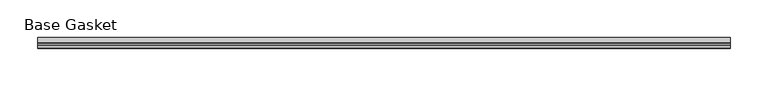
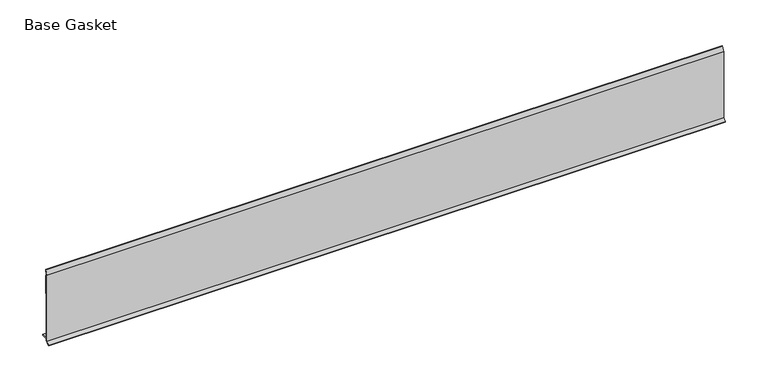
"""IFC4 building model written with IfcOpenShell, lengths in millimetres: furniture geometry, Base Gasket."""

from ifc_helpers import new_model, si_unit, frame, origin, place, context, project, spatial, polyline, outline, extrude, source, transform, mapped, element, save


def base_gasket_22999de0(model_context):
    return source(origin(), model_context, "Body", "SweptSolid", [
        extrude(outline(polyline([(-3.7283812, 98.4568417), (-1.1891543, 104.587663), (-0.6755308, 105.2002997), (-0.6755308, 104.4162708), (-2.2043812, 98.4568417), (-2.2043812, 96.8693477), (-1.4106313, 96.8693477), (-1.4106313, 71.4693447), (-2.2043812, 71.4693447), (-2.2043812, 7.9398773), (6.2405171, 7.9398773), (6.2405171, 6.3818476), (-2.1334222, 6.3818476), (-2.2043812, 4.3498477), (-6.8281054, 0.3520979), (-7.8482342, 0.0), (-7.4222115, 0.6560174), (-3.7283812, 4.3498477), (-3.7283812, 98.4568417)])), frame((-1527.8982117, 0.0, 0.0), z_axis=(1.0, 0.0, 0.0), x_axis=(0.0, 1.0, 0.0)), (0.0, 0.0, 1.0), 914.5704326),
    ])


if __name__ == "__main__":
    model = new_model("IFC4")
    model_context = context("Model", 3, world=origin())
    ifc_project = project(units=[si_unit("LENGTHUNIT", "METRE", prefix="MILLI")], contexts=[model_context])
    site = spatial("IfcSite", under=ifc_project)
    building = spatial("IfcBuilding", under=site)
    placement = place(None, origin())
    base_gasket_shape = base_gasket_22999de0(model_context)
    element("IfcFurniture", 1, ObjectType="Base Gasket", at=placement, inside=building, context=model_context, shape_type="MappedRepresentation", body=[
        mapped(base_gasket_shape, transform((0.0, 0.0, 0.0), x_axis=(1.0, 0.0, 0.0), y_axis=(0.0, 1.0, 0.0), z_axis=(0.0, 0.0, 1.0))),
    ])
    save(model, "model.ifc")
